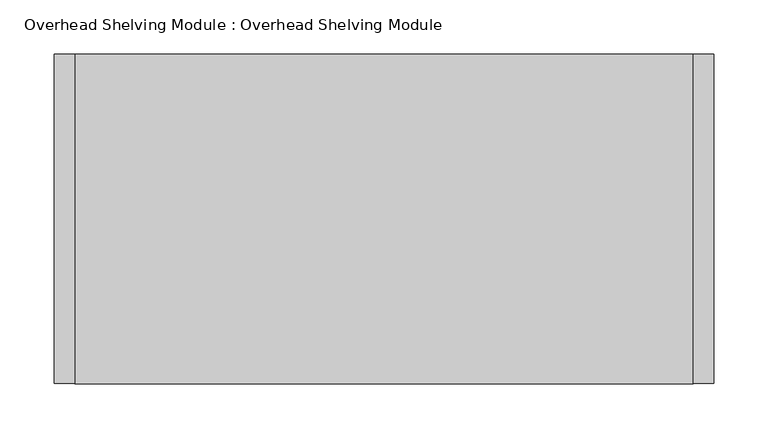
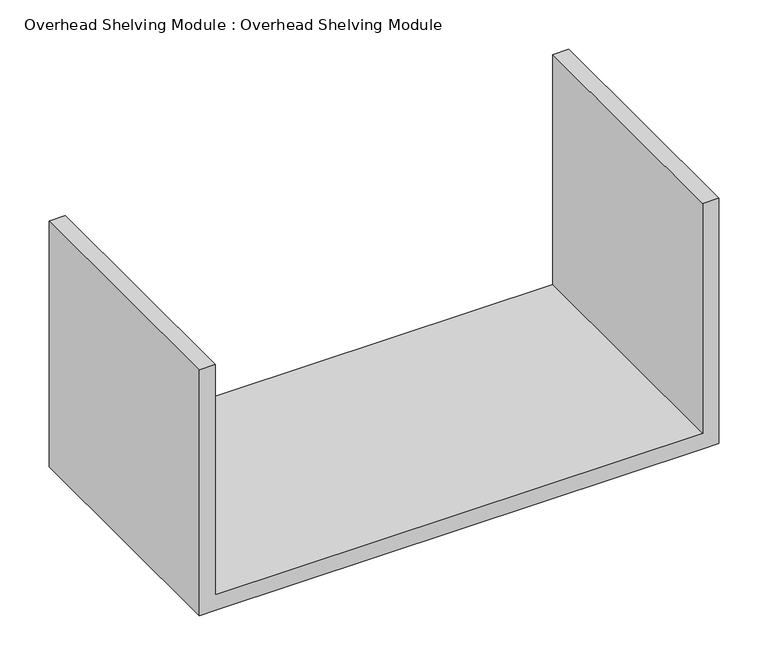
"""IFC4 building model written with IfcOpenShell, lengths in millimetres: furniture geometry, Overhead Shelving Module : Overhead Shelving Module."""

from ifc_helpers import new_model, si_unit, frame, origin, place, context, project, spatial, polyline, outline, extrude, source, transform, mapped, element, save


def overhead_shelving_module_overhead_shelving_module_4e4d93b0(model_context):
    return source(origin(), model_context, "Body", "SweptSolid", [
        extrude(outline(polyline([(1676.4, -462.5824704), (1371.6, -462.5824704), (1371.6, -443.5324704), (1371.6, 127.9675296), (1371.6, 147.0175296), (1676.4, 147.0175296), (1676.4, 127.9675296), (1390.65, 127.9675296), (1390.65, -443.5324704), (1676.4, -443.5324704), (1676.4, -462.5824704)])), frame((0.0, -68.6363609, 0.0), z_axis=(0.0, 1.0, 0.0), x_axis=(0.0, 0.0, 1.0)), (0.0, 0.0, 1.0), 304.8),
    ])


if __name__ == "__main__":
    model = new_model("IFC4")
    model_context = context("Model", 3, world=origin())
    ifc_project = project(units=[si_unit("LENGTHUNIT", "METRE", prefix="MILLI")], contexts=[model_context])
    site = spatial("IfcSite", under=ifc_project)
    building = spatial("IfcBuilding", under=site)
    placement = place(None, origin())
    overhead_shelving_module_overhead_shelving_module_shape = overhead_shelving_module_overhead_shelving_module_4e4d93b0(model_context)
    element("IfcFurniture", 1, ObjectType="Overhead Shelving Module : Overhead Shelving Module", at=placement, inside=building, context=model_context, shape_type="MappedRepresentation", body=[
        mapped(overhead_shelving_module_overhead_shelving_module_shape, transform((0.0, 0.0, 0.0), x_axis=(1.0, 0.0, 0.0), y_axis=(0.0, 1.0, 0.0), z_axis=(0.0, 0.0, 1.0))),
    ])
    save(model, "model.ifc")
